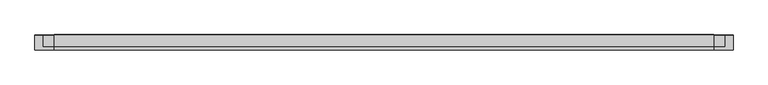
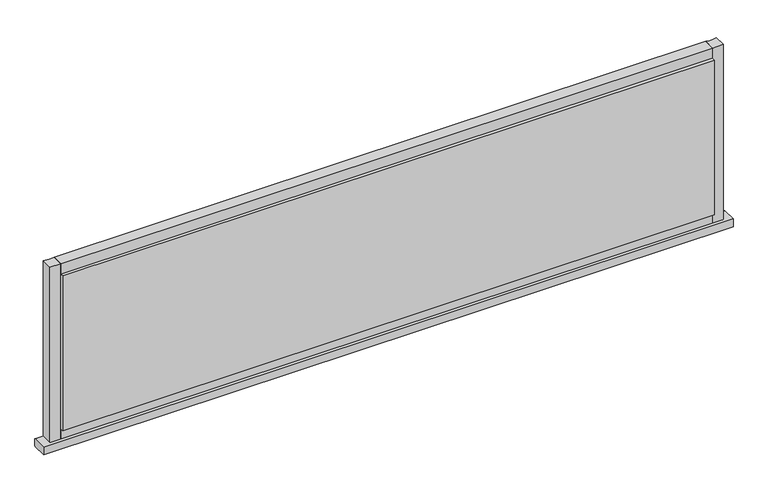
"""IFC4 building model written with IfcOpenShell, lengths in millimetres: plate geometry."""

from ifc_helpers import new_model, si_unit, point, frame, frame_2d, origin, origin_with_axes, place, context, project, spatial, polyline, circle_curve, trimmed, segment, composite_curve, outline, extrude, source, transform, mapped, element, save
from ifc_brep_helpers import plane_surface, cylinder_surface, advanced_brep


def plate_eb8cd981(model_context):
    return source(origin(), model_context, "Body", "SolidModel", [
        advanced_brep(
        [(636.1111111, -14.0, 0.0), (636.1111111, -14.0, -15.0), (636.1111111, 12.3070793, -15.0), (636.1111111, 13.8070793, -13.4999993), (636.1111111, 13.8070793, -1.0002427), (636.1111111, 12.8070793, -0.0002427), (-636.1111111, -14.0, 0.0), (-636.1111111, 12.8070793, 0.0), (-636.1111111, 13.8070793, -1.0002427), (-636.1111111, 13.8070793, -13.4999993), (-636.1111111, 12.3070793, -14.9999993), (-636.1111111, -14.0, -15.0)],
        [
            (0, 1),
            (1, 2),
            (2, 3, circle_curve(frame((636.1111111, 12.3070793, -13.4999993), z_axis=(1.0, 0.0, 0.0), x_axis=(0.0, 1.0, 0.0)), 1.5)),
            (3, 4),
            (4, 5, circle_curve(frame((636.1111111, 12.8070793, -1.0002427), z_axis=(1.0, 0.0, 0.0), x_axis=(0.0, 1.0, 0.0)), 1.0)),
            (5, 0),
            (6, 7),
            (7, 8, circle_curve(frame((-636.1111111, 12.8070793, -1.0002427), z_axis=(-1.0, 0.0, 0.0), x_axis=(0.0, 1.0, 0.0)), 1.0)),
            (8, 9),
            (9, 10, circle_curve(frame((-636.1111111, 12.3070793, -13.4999993), z_axis=(-1.0, 0.0, 0.0), x_axis=(0.0, 1.0, 0.0)), 1.5)),
            (10, 11),
            (11, 6),
            (0, 6),
            (11, 1),
            (10, 2),
            (5, 7),
            (9, 3),
            (8, 4),
        ],
        [
            plane_surface(frame((636.1111111, -14.0, 0.0), z_axis=(1.0, 0.0, 0.0), x_axis=(0.0, 0.0, -1.0))),
            plane_surface(frame((-636.1111111, -14.0, 0.0), z_axis=(-1.0, 0.0, 0.0), x_axis=(0.0, 0.0, 1.0))),
            plane_surface(frame((636.1111111, -14.0, 0.0), z_axis=(0.0, -1.0, 0.0), x_axis=(-1.0, 0.0, 0.0))),
            plane_surface(frame((636.1111111, -14.0, -15.0), z_axis=(0.0, 0.0, -1.0), x_axis=(-1.0, 0.0, 0.0))),
            plane_surface(frame((636.1111111, 12.8070793, 0.0), z_axis=(0.0, 0.0, 1.0), x_axis=(-1.0, 0.0, 0.0))),
            cylinder_surface(frame((-636.1111111, 12.3070793, -13.4999993), z_axis=(1.0, 0.0, 0.0), x_axis=(0.0, 1.0, 0.0)), 1.5),
            plane_surface(frame((636.1111111, 13.8070793, -13.4999993), z_axis=(0.0, 1.0, 0.0), x_axis=(-1.0, 0.0, 0.0))),
            cylinder_surface(frame((-636.1111111, 12.8070793, -1.0002427), z_axis=(1.0, 0.0, 0.0), x_axis=(0.0, 1.0, 0.0)), 1.0),
        ],
        [
            (0, [[1, 2, 3, 4, 5, 6]]),
            (1, [[7, 8, 9, 10, 11, 12]]),
            (2, [[-1, 13, -12, 14]]),
            (3, [[-2, -14, -11, 15]]),
            (4, [[-6, 16, -7, -13]]),
            (5, [[-3, -15, -10, 17]]),
            (6, [[-4, -17, -9, 18]]),
            (7, [[-5, -18, -8, -16]]),
        ],
    ),
        extrude(outline(polyline([(601.1111111, 14.0), (601.1111111, 8.0), (-601.1111111, 8.0), (-601.1111111, 14.0), (601.1111111, 14.0)])), frame((0.0, 0.0, 20.0), z_axis=(0.0, 0.0, 1.0), x_axis=(1.0, 0.0, 0.0)), (0.0, 0.0, 1.0), 302.0919278),
        extrude(outline(polyline([(601.1111111, -8.0), (601.1111111, -14.0), (-601.1111111, -14.0), (-601.1111111, -8.0), (601.1111111, -8.0)])), frame((0.0, 0.0, 20.0), z_axis=(0.0, 0.0, 1.0), x_axis=(1.0, 0.0, 0.0)), (0.0, 0.0, 1.0), 302.0919278),
        extrude(outline(composite_curve([segment(polyline([(13.499631, 0.0), (-8.0, 0.0), (-8.0, 20.0), (13.499631, 20.0)]), True, "CONTINUOUS"), segment(trimmed(circle_curve(frame_2d((45.6328576, 10.0)), 33.6532948), [point((13.499631, 20.0))], [point((13.499631, 0.0))], True, "CARTESIAN"), True, "CONTINUOUS")], self_intersect=False)), frame((-601.1111111, 0.0, 0.0), z_axis=(1.0, 0.0, 0.0), x_axis=(0.0, 1.0, 0.0)), (0.0, 0.0, 1.0), 1202.2222222),
        extrude(outline(composite_curve([segment(trimmed(circle_curve(frame_2d((45.6328576, 332.0919278)), 33.6532948), [point((13.499631, 342.0919278))], [point((13.499631, 322.0919278))], True, "CARTESIAN"), True, "CONTINUOUS"), segment(polyline([(13.499631, 322.0919278), (-8.0, 322.0919278), (-8.0, 342.0919278), (13.499631, 342.0919278)]), True, "CONTINUOUS")], self_intersect=False)), frame((-601.1111111, 0.0, 0.0), z_axis=(1.0, 0.0, 0.0), x_axis=(0.0, 1.0, 0.0)), (0.0, 0.0, 1.0), 1202.2222222),
        extrude(outline(composite_curve([segment(polyline([(621.1111111, -8.0), (601.1111111, -8.0), (601.1111111, 13.5022002)]), True, "CONTINUOUS"), segment(trimmed(circle_curve(frame_2d((611.0375993, 45.5022747)), 33.5043271), [point((601.1111111, 13.5022002))], [point((621.1111111, 13.548178))], True, "CARTESIAN"), True, "CONTINUOUS"), segment(polyline([(621.1111111, 13.548178), (621.1111111, -8.0)]), True, "CONTINUOUS")], self_intersect=False)), origin_with_axes(), (0.0, 0.0, 1.0), 342.0919278),
        extrude(outline(composite_curve([segment(polyline([(-601.1111111, -8.0), (-621.1111111, -8.0), (-621.1111111, 13.499631)]), True, "CONTINUOUS"), segment(trimmed(circle_curve(frame_2d((-611.1111111, 45.6328576)), 33.6532948), [point((-621.1111111, 13.499631))], [point((-601.1111111, 13.499631))], True, "CARTESIAN"), True, "CONTINUOUS"), segment(polyline([(-601.1111111, 13.499631), (-601.1111111, -8.0)]), True, "CONTINUOUS")], self_intersect=False)), origin_with_axes(), (0.0, 0.0, 1.0), 342.0919278),
    ])


if __name__ == "__main__":
    model = new_model("IFC4")
    model_context = context("Model", 3, world=origin())
    ifc_project = project(units=[si_unit("LENGTHUNIT", "METRE", prefix="MILLI")], contexts=[model_context])
    site = spatial("IfcSite", under=ifc_project)
    building = spatial("IfcBuilding", under=site)
    placement = place(None, origin())
    plate_shape = plate_eb8cd981(model_context)
    element("IfcPlate", 1, at=placement, inside=building, context=model_context, shape_type="MappedRepresentation", body=[
        mapped(plate_shape, transform((0.0, 0.0, 0.0), x_axis=(1.0, 0.0, 0.0), y_axis=(0.0, 1.0, 0.0), z_axis=(0.0, 0.0, 1.0))),
    ])
    save(model, "model.ifc")
